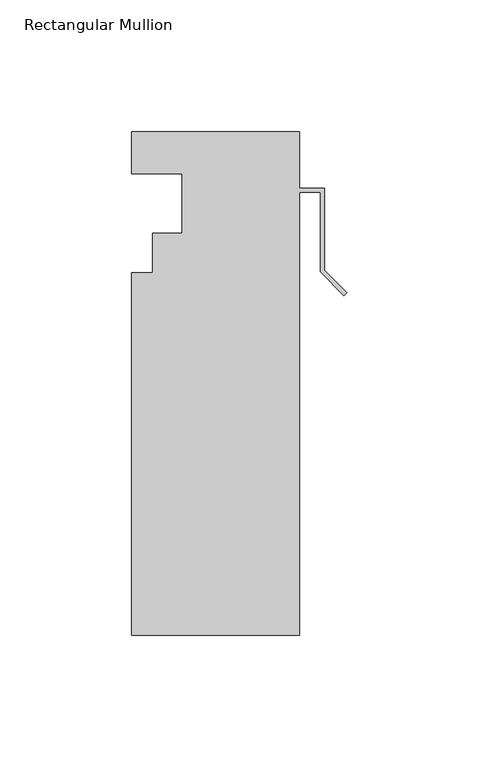
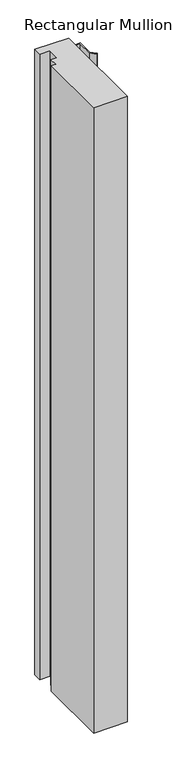
"""IFC4 building model written with IfcOpenShell, lengths in millimetres: member geometry, Rectangular Mullion."""

from ifc_helpers import new_model, si_unit, frame, origin, place, context, project, spatial, polyline, outline, extrude, source, transform, mapped, element, save


def rectangular_mullion_1982f9df(model_context):
    return source(origin(), model_context, "Body", "SweptSolid", [
        extrude(outline(polyline([(-81.5440079, -53.0629813), (-73.6192079, -53.0629813), (-73.6192079, -38.0007812), (-62.4940079, -38.0007812), (-62.4940079, -15.5217812), (-81.5440079, -15.5217812), (-81.5440079, 0.3278188), (-18.0440079, 0.3278188), (-18.0440079, -20.9065813), (-8.5190079, -20.9065813), (-8.5190079, -52.0042777), (0.0, -60.5232856), (-1.1135518, -61.6368374), (-10.0938079, -52.6565813), (-10.0938079, -22.4813813), (-18.0440079, -22.4813813), (-18.0440079, -190.4007812), (-81.5440079, -190.4007812), (-81.5440079, -53.0629813)])), frame((0.0, 0.0, -1242.1071763), z_axis=(0.0, 0.0, 1.0), x_axis=(1.0, 0.0, 0.0)), (0.0, 0.0, 1.0), 1242.1071763),
    ])


if __name__ == "__main__":
    model = new_model("IFC4")
    model_context = context("Model", 3, world=origin())
    ifc_project = project(units=[si_unit("LENGTHUNIT", "METRE", prefix="MILLI")], contexts=[model_context])
    site = spatial("IfcSite", under=ifc_project)
    building = spatial("IfcBuilding", under=site)
    placement = place(None, origin())
    rectangular_mullion_shape = rectangular_mullion_1982f9df(model_context)
    element("IfcMember", 1, ObjectType="Rectangular Mullion", at=placement, inside=building, context=model_context, shape_type="MappedRepresentation", body=[
        mapped(rectangular_mullion_shape, transform((0.0, 0.0, 0.0), x_axis=(1.0, 0.0, 0.0), y_axis=(0.0, 1.0, 0.0), z_axis=(0.0, 0.0, 1.0))),
    ])
    save(model, "model.ifc")
